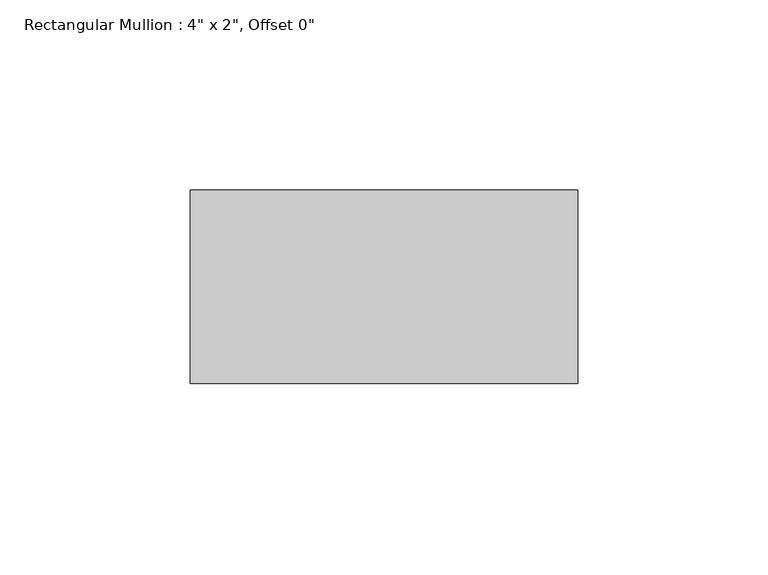
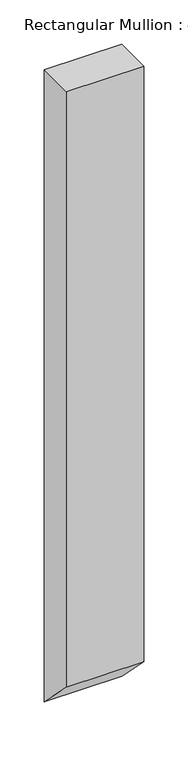
"""IFC4 building model written with IfcOpenShell, lengths in millimetres: member geometry."""

import ifcopenshell
import ifcopenshell.guid

model = None  # the IFC model being written
_history = None  # IfcOwnerHistory: only IFC2X3 demands one
_inside = {}  # id of a spatial element -> (the spatial element, [elements in it])
_under = {}  # id of a project, library or spatial element -> (it, [spatial elements below it])
_declared = {}  # id of a project -> (the project, [libraries it declares])
_typed = {}  # id of a type object -> (the type object, [elements of that type])
_made_of = {}  # id of a material, layer set ... -> (it, [elements and type objects made of it])


def new_model(schema):
    """Start an empty IFC model of exactly this schema.

    Asked for "IFC4X3", IfcOpenShell would pick the latest addendum, in which some entities
    have other attributes; the version numbers below select the first issue.
    IFC2X3 requires an IfcOwnerHistory on every rooted entity: one is made here for all.
    """
    global model, _history
    if schema == "IFC4X3":
        model = ifcopenshell.file(schema_version=(4, 3, 0, 0))
    else:
        model = ifcopenshell.file(schema=schema)
    _inside.clear()
    _under.clear()
    _declared.clear()
    _typed.clear()
    _made_of.clear()
    _history = None
    if model.schema == "IFC2X3":
        org = make("IfcOrganization", Name="unknown")
        user = make(
            "IfcPersonAndOrganization",
            ThePerson=make("IfcPerson", FamilyName="unknown"),
            TheOrganization=org,
        )
        app = make(
            "IfcApplication",
            ApplicationDeveloper=org,
            Version="unknown",
            ApplicationFullName="unknown",
            ApplicationIdentifier="unknown",
        )
        _history = make(
            "IfcOwnerHistory",
            OwningUser=user,
            OwningApplication=app,
            ChangeAction="ADDED",
            CreationDate=0,
        )
    return model


def make(cls, **values):
    """One entity of the class cls with the attributes given. An attribute that is None is left unset."""
    return model.create_entity(
        cls, **{name: value for name, value in values.items() if value is not None}
    )


def rooted(cls, **values):
    """An entity with a GlobalId (a new one), such as an element, a storey or a relation."""
    return make(cls, GlobalId=ifcopenshell.guid.new(), OwnerHistory=_history, **values)


def si_unit(unit_type, name, prefix=None):
    """IfcSIUnit, for example si_unit("LENGTHUNIT", "METRE", prefix="MILLI")."""
    return make("IfcSIUnit", UnitType=unit_type, Prefix=prefix, Name=name)


def assignment(units):
    """IfcUnitAssignment: the units of a project."""
    return None if units is None else make("IfcUnitAssignment", Units=units)


def point(xyz):
    """IfcCartesianPoint."""
    return None if xyz is None else make("IfcCartesianPoint", Coordinates=xyz)


def direction(xyz):
    """IfcDirection."""
    return None if xyz is None else make("IfcDirection", DirectionRatios=xyz)


def frame(location, z_axis=None, x_axis=None):
    """IfcAxis2Placement3D, a coordinate frame: its origin and axes. An axis left out is left unset."""
    return make(
        "IfcAxis2Placement3D",
        Location=point(location),
        Axis=direction(z_axis),
        RefDirection=direction(x_axis),
    )


def origin():
    """The frame at (0, 0, 0) with its axes left unset."""
    return frame((0.0, 0.0, 0.0))


def place(relative_to, where):
    """IfcLocalPlacement: puts the frame where relative to a parent placement (None: the world)."""
    return make(
        "IfcLocalPlacement", PlacementRelTo=relative_to, RelativePlacement=where
    )


def context(
    kind, dimensions, precision=None, world=None, true_north=None, identifier=None
):
    """IfcGeometricRepresentationContext, for example the 3D "Model" context."""
    return make(
        "IfcGeometricRepresentationContext",
        ContextIdentifier=identifier,
        ContextType=kind,
        CoordinateSpaceDimension=dimensions,
        Precision=precision,
        WorldCoordinateSystem=world,
        TrueNorth=true_north,
    )


def project(units=None, contexts=None):
    """IfcProject with its units and contexts."""
    return rooted(
        "IfcProject",
        Name="project",
        RepresentationContexts=contexts,
        UnitsInContext=assignment(units),
    )


def spatial(cls, under=None, at=None, **own):
    """A site, building, storey or space (cls), placed at a placement, below another one or the project."""
    s = rooted(cls, ObjectPlacement=at, **own)
    if under is not None:
        _under.setdefault(under.id(), (under, []))[1].append(s)
    return s


def polyline(points):
    """IfcPolyline through the points."""
    return make("IfcPolyline", Points=[point(p) for p in points])


def outline(outer, holes=None, kind="AREA"):
    """IfcArbitraryClosedProfileDef: a profile drawn as a closed curve; with holes, ...WithVoids."""
    if holes is None:
        return make("IfcArbitraryClosedProfileDef", ProfileType=kind, OuterCurve=outer)
    return make(
        "IfcArbitraryProfileDefWithVoids",
        ProfileType=kind,
        OuterCurve=outer,
        InnerCurves=holes,
    )


def extrude(swept, where, along, depth):
    """IfcExtrudedAreaSolid: the profile swept, set in the frame where, extruded along a direction by depth."""
    return make(
        "IfcExtrudedAreaSolid",
        SweptArea=swept,
        Position=where,
        ExtrudedDirection=direction(along),
        Depth=depth,
    )


def shape(context_of_items, identifier, shape_type, items):
    """IfcShapeRepresentation: the items that make up one representation, for example the "Body"."""
    return make(
        "IfcShapeRepresentation",
        ContextOfItems=context_of_items,
        RepresentationIdentifier=identifier,
        RepresentationType=shape_type,
        Items=items,
    )


def source(mapping_origin, context_of_items, identifier, shape_type, items):
    """IfcRepresentationMap: a shape defined once, which mapped items show again and again."""
    return make(
        "IfcRepresentationMap",
        MappingOrigin=mapping_origin,
        MappedRepresentation=shape(context_of_items, identifier, shape_type, items),
    )


def transform(
    local_origin,
    x_axis=None,
    y_axis=None,
    z_axis=None,
    scale=None,
    scale2=None,
    scale3=None,
    uniform=True,
):
    """IfcCartesianTransformationOperator3D, or its non-uniform kind. x_axis, y_axis, z_axis: its Axis1, 2, 3."""
    if uniform:
        return make(
            "IfcCartesianTransformationOperator3D",
            Axis1=direction(x_axis),
            Axis2=direction(y_axis),
            LocalOrigin=point(local_origin),
            Scale=scale,
            Axis3=direction(z_axis),
        )
    return make(
        "IfcCartesianTransformationOperator3DnonUniform",
        Axis1=direction(x_axis),
        Axis2=direction(y_axis),
        LocalOrigin=point(local_origin),
        Scale=scale,
        Axis3=direction(z_axis),
        Scale2=scale2,
        Scale3=scale3,
    )


def mapped(mapping_source, mapping_target):
    """IfcMappedItem: shows the shape of a source again, moved by a transform."""
    return make(
        "IfcMappedItem", MappingSource=mapping_source, MappingTarget=mapping_target
    )


def made_of(thing, what):
    """Note that an element or type object is made of a material, layer set ...; save() writes the relation."""
    if what is not None:
        _made_of.setdefault(what.id(), (what, []))[1].append(thing)
    return thing


def element(
    cls,
    number,
    at=None,
    inside=None,
    cuts=None,
    type_object=None,
    material=None,
    context=None,
    identifier="Body",
    shape_type=None,
    held_by="IfcProductDefinitionShape",
    body=None,
    shapes=None,
    **own,
):
    """One element of the class cls, such as IfcWall. Its Tag is "e" and its number.

    at: its placement. inside: the storey or other place that contains it. cuts: it is an
    opening in that element (IfcRelVoidsElement). A single representation is given by context,
    identifier, shape_type and body (its items); several are given by shapes. held_by: the class
    of the entity that holds the representations. save() writes the other relations.
    """
    e = rooted(cls, Tag="e%d" % number, ObjectPlacement=at, **own)
    if body is not None:
        shapes = [shape(context, identifier, shape_type, body)]
    if shapes is not None:
        e.Representation = make(held_by, Representations=shapes)
    if inside is not None:
        _inside.setdefault(inside.id(), (inside, []))[1].append(e)
    if cuts is not None:
        rooted(
            "IfcRelVoidsElement", RelatingBuildingElement=cuts, RelatedOpeningElement=e
        )
    if type_object is not None:
        _typed.setdefault(type_object.id(), (type_object, []))[1].append(e)
    return made_of(e, material)


def aggregate(whole, parts):
    """IfcRelAggregates: a whole, such as a stair, and the parts it consists of."""
    return rooted("IfcRelAggregates", RelatingObject=whole, RelatedObjects=parts)


def save(model, path):
    """Write the relations noted so far, then the file.

    IfcRelAggregates (storeys below a building ...), IfcRelContainedInSpatialStructure (elements
    in a storey), IfcRelDefinesByType, IfcRelAssociatesMaterial and IfcRelDeclares: one each for
    every whole, place, type object, material and project.
    """
    for whole, parts in _under.values():
        aggregate(whole, parts)
    for where, things in _inside.values():
        rooted(
            "IfcRelContainedInSpatialStructure",
            RelatedElements=things,
            RelatingStructure=where,
        )
    for kind, things in _typed.values():
        rooted("IfcRelDefinesByType", RelatedObjects=things, RelatingType=kind)
    for what, things in _made_of.values():
        rooted("IfcRelAssociatesMaterial", RelatedObjects=things, RelatingMaterial=what)
    for by, libraries in _declared.values():
        rooted("IfcRelDeclares", RelatingContext=by, RelatedDefinitions=libraries)
    model.write(path)


def member_66ae95f8(model_context):
    return source(origin(), model_context, "Body", "SweptSolid", [
        extrude(outline(polyline([(-25.4, 0.0), (25.4, 0.0), (25.4, -876.3), (-25.4, -825.5), (-25.4, 0.0)])), frame((-101.6, 0.0, 0.0), z_axis=(1.0, 0.0, 0.0), x_axis=(0.0, 1.0, 0.0)), (0.0, 0.0, 1.0), 101.6),
    ])


if __name__ == "__main__":
    model = new_model("IFC4")
    model_context = context("Model", 3, world=origin())
    ifc_project = project(units=[si_unit("LENGTHUNIT", "METRE", prefix="MILLI")], contexts=[model_context])
    site = spatial("IfcSite", under=ifc_project)
    building = spatial("IfcBuilding", under=site)
    placement = place(None, origin())
    member_shape = member_66ae95f8(model_context)
    element("IfcMember", 1, ObjectType="Rectangular Mullion : 4\" x 2\", Offset 0\"", at=placement, inside=building, context=model_context, shape_type="MappedRepresentation", body=[
        mapped(member_shape, transform((0.0, 0.0, 0.0), x_axis=(1.0, 0.0, 0.0), y_axis=(0.0, 1.0, 0.0), z_axis=(0.0, 0.0, 1.0))),
    ])
    save(model, "model.ifc")
